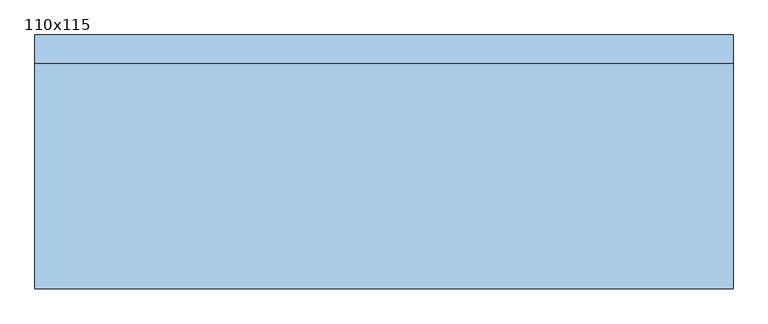
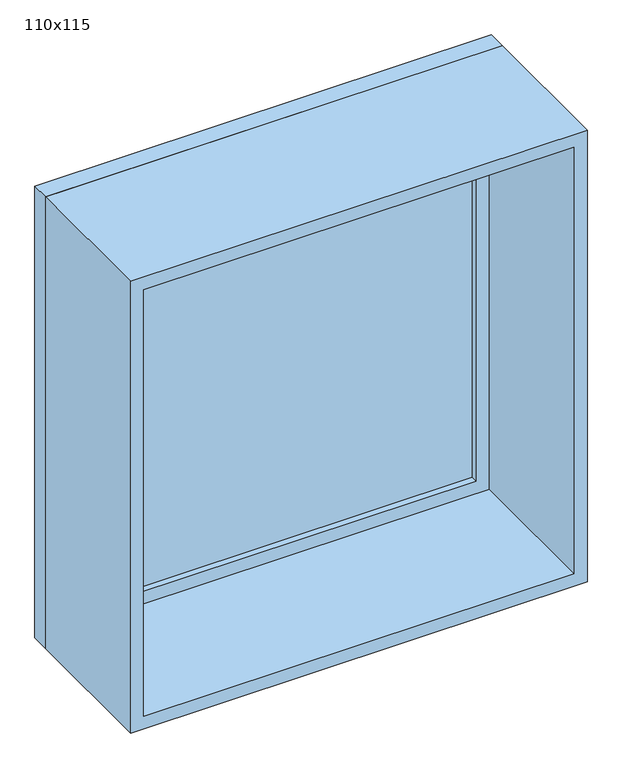
"""IFC4 building model written with IfcOpenShell, lengths in millimetres: window geometry, 110x115."""

from ifc_helpers import new_model, si_unit, frame, origin, place, context, project, spatial, polyline, outline, extrude, source, transform, mapped, element, save


def window_110x115_f55be1a3(model_context):
    return source(origin(), model_context, "Body", "SweptSolid", [
        extrude(outline(polyline([(448.4, 170.425), (-524.6, 170.425), (-524.6, 183.125), (448.4, 183.125), (448.4, 170.425)])), frame((0.0, 0.0, 977.9), z_axis=(0.0, 0.0, 1.0), x_axis=(1.0, 0.0, 0.0)), (0.0, 0.0, 1.0), 1023.0),
        extrude(outline(polyline([(2045.35, -569.05), (933.45, -569.05), (933.45, 492.85), (2045.35, 492.85), (2045.35, -569.05)]), holes=[polyline([(2000.9, -524.6), (2000.9, 448.4), (977.9, 448.4), (977.9, -524.6), (2000.9, -524.6)])]), frame((0.0, 154.55, 0.0), z_axis=(0.0, 1.0, 0.0), x_axis=(0.0, 0.0, 1.0)), (0.0, 0.0, 1.0), 44.45),
        extrude(outline(polyline([(2064.4, -588.1), (914.4, -588.1), (914.4, 511.9), (2064.4, 511.9), (2064.4, -588.1)]), holes=[polyline([(2032.65, -556.35), (2032.65, 480.15), (946.15, 480.15), (946.15, -556.35), (2032.65, -556.35)])]), frame((0.0, -200.0, 0.0), z_axis=(0.0, 1.0, 0.0), x_axis=(0.0, 0.0, 1.0)), (0.0, 0.0, 1.0), 354.55),
        extrude(outline(polyline([(2064.4, 511.9), (2064.4, -588.1), (914.4, -588.1), (914.4, 511.9), (2064.4, 511.9)]), holes=[polyline([(2045.35, 492.85), (933.45, 492.85), (933.45, -569.05), (2045.35, -569.05), (2045.35, 492.85)])]), frame((0.0, 154.55, 0.0), z_axis=(0.0, 1.0, 0.0), x_axis=(0.0, 0.0, 1.0)), (0.0, 0.0, 1.0), 45.45),
    ])


if __name__ == "__main__":
    model = new_model("IFC4")
    model_context = context("Model", 3, world=origin())
    ifc_project = project(units=[si_unit("LENGTHUNIT", "METRE", prefix="MILLI")], contexts=[model_context])
    site = spatial("IfcSite", under=ifc_project)
    building = spatial("IfcBuilding", under=site)
    placement = place(None, origin())
    window_110x115_shape = window_110x115_f55be1a3(model_context)
    element("IfcWindow", 1, ObjectType="110x115", at=placement, inside=building, context=model_context, shape_type="MappedRepresentation", body=[
        mapped(window_110x115_shape, transform((0.0, 0.0, 0.0), x_axis=(1.0, 0.0, 0.0), y_axis=(0.0, 1.0, 0.0), z_axis=(0.0, 0.0, 1.0))),
    ])
    save(model, "model.ifc")
